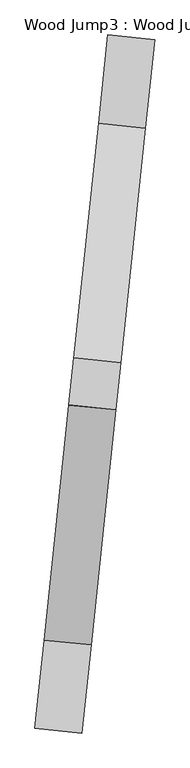
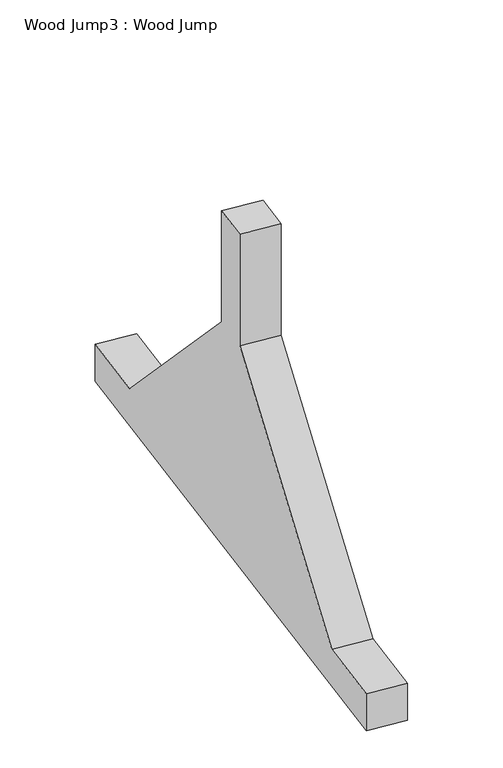
"""IFC4 building model written with IfcOpenShell, lengths in millimetres: proxy geometry, Wood Jump3 : Wood Jump."""

from ifc_helpers import new_model, si_unit, frame, origin, place, context, project, spatial, polyline, outline, extrude, source, transform, mapped, element, save


def wood_jump3_wood_jump_89e8057d(model_context):
    return source(origin(), model_context, "Body", "SweptSolid", [
        extrude(outline(polyline([(0.0, 0.0), (0.0, -1498.6), (-101.6, -1498.6), (-101.6, -1308.1), (-609.6, -800.0999999), (-914.4, -800.0999999), (-914.4, -698.5), (-609.6, -698.5), (-101.6, -190.4999999), (-101.6, 0.0), (0.0, 0.0)])), frame((135502.8556585, 14121.9653473, 0.0), z_axis=(-0.9945218953682714, 0.10452846326767276, 0.0), x_axis=(0.0, 0.0, -1.0)), (0.0, 0.0, 1.0), 101.6),
    ])


if __name__ == "__main__":
    model = new_model("IFC4")
    model_context = context("Model", 3, world=origin())
    ifc_project = project(units=[si_unit("LENGTHUNIT", "METRE", prefix="MILLI")], contexts=[model_context])
    site = spatial("IfcSite", under=ifc_project)
    building = spatial("IfcBuilding", under=site)
    placement = place(None, origin())
    wood_jump3_wood_jump_shape = wood_jump3_wood_jump_89e8057d(model_context)
    element("IfcBuildingElementProxy", 1, Name="Wood Jump3 : Wood Jump", ObjectType="Wood Jump3 : Wood Jump", at=placement, inside=building, context=model_context, shape_type="MappedRepresentation", body=[
        mapped(wood_jump3_wood_jump_shape, transform((0.0, 0.0, 0.0), x_axis=(1.0, 0.0, 0.0), y_axis=(0.0, 1.0, 0.0), z_axis=(0.0, 0.0, 1.0))),
    ])
    save(model, "model.ifc")
